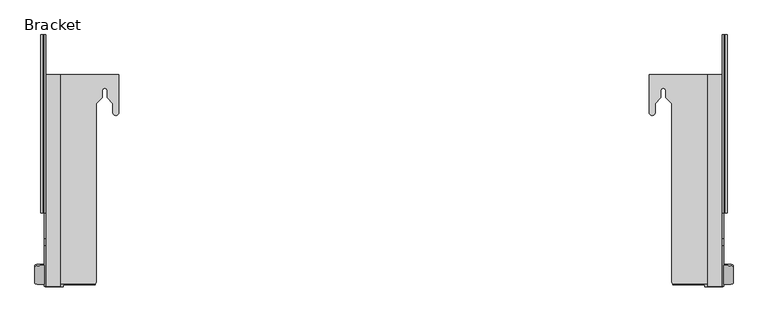
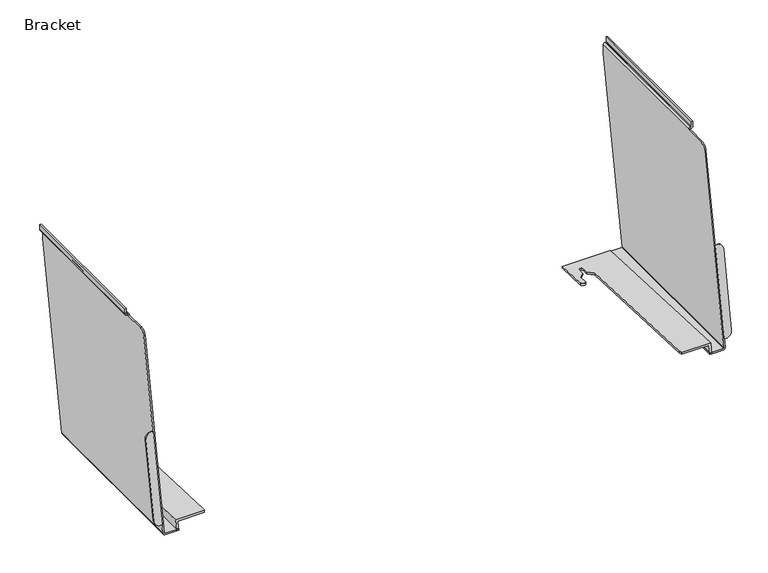
"""IFC4 building model written with IfcOpenShell, lengths in millimetres: furniture geometry, Bracket."""

from ifc_helpers import new_model, si_unit, frame, origin, place, context, project, spatial, polyline, circle_curve, ellipse_curve, source, transform, mapped, element, save
from ifc_brep_helpers import plane_surface, cylinder_surface, revolved_surface, advanced_brep


def bracket_8338e0bc(model_context):
    return source(origin(), model_context, "Body", "AdvancedBrep", [
        advanced_brep(
        [(1278.9615646, -163.5694426, 504.6641143), (1274.8385127, -163.5694426, 504.6641143), (1274.8385127, -196.2490672, 319.3287534), (1278.1913157, -196.2490672, 319.3287534), (1290.8913127, -194.0437098, 331.8359571), (1290.8913127, -165.6410462, 492.9154667), (1278.9615646, -161.2981934, 504.2522241), (1290.8913127, -163.4269275, 492.5139371), (1290.8913127, -192.6128772, 331.5764762), (1278.1913157, -194.8790539, 319.080302), (1274.8385127, -194.8790539, 319.080302), (1274.8385127, -161.2981934, 504.2522241)],
        [
            (0, 1),
            (1, 2),
            (2, 3),
            (3, 4, ellipse_curve(frame((1278.1913157, -194.0437098, 331.8359571), z_axis=(0.0, -0.9848077530122079, 0.17364817766693155), x_axis=(0.0, -0.1736481776669712, -0.984807753012201)), 12.7001475, 12.6999971)),
            (4, 5),
            (5, 0, ellipse_curve(frame((1278.9615646, -165.6410462, 492.9154667), z_axis=(0.0, -0.9848077530122079, 0.17364817766693155), x_axis=(0.0, -0.1736481776669712, -0.984807753012201)), 11.9298894, 11.9297481)),
            (6, 7, circle_curve(frame((1278.9615646, -163.4269275, 492.5139371), z_axis=(0.0, 0.9839509496893903, -0.1784391453839293), x_axis=(0.0, -0.1784391453839293, -0.9839509496893903)), 11.9297481)),
            (7, 8),
            (8, 9, circle_curve(frame((1278.1913157, -192.6128772, 331.5764762), z_axis=(0.0, 0.9839509496893903, -0.1784391453839293), x_axis=(0.0, -0.1784391453839293, -0.9839509496893903)), 12.6999971)),
            (9, 10),
            (10, 11),
            (11, 6),
            (11, 1),
            (0, 6),
            (10, 2),
            (9, 3),
            (8, 4),
            (7, 5),
        ],
        [
            plane_surface(frame((-105.6465848, -130.1351991, 694.2791319), z_axis=(0.0, -0.9848077530122079, 0.17364817766693155), x_axis=(1.0, 0.0, 0.0))),
            plane_surface(frame((1278.9615646, -165.5556615, 480.7756501), z_axis=(0.0, 0.9839509496893902, -0.17843914538392927), x_axis=(-1.0, 0.0, 0.0))),
            plane_surface(frame((1274.8385127, -161.2981934, 504.2522241), z_axis=(0.0, 0.17843914538393404, 0.9839509496893893), x_axis=(0.0, -0.9839509496893893, 0.17843914538393404))),
            plane_surface(frame((1274.8385127, -194.8790539, 319.080302), z_axis=(-1.0, 0.0, 0.0), x_axis=(0.0, -0.9839509496893893, 0.17843914538393404))),
            plane_surface(frame((1278.1913157, -194.8790539, 319.080302), z_axis=(0.0, -0.17843914538393404, -0.9839509496893893), x_axis=(0.0, -0.9839509496893893, 0.17843914538393404))),
            cylinder_surface(frame((1278.1913157, -195.6877218, 332.1340981), z_axis=(0.0, 0.9839509496893903, -0.1784391453839293), x_axis=(0.0, -0.1784391453839293, -0.9839509496893903)), 12.6999971),
            plane_surface(frame((1290.8913127, -163.4269275, 492.5139371), z_axis=(1.0, 0.0, 0.0), x_axis=(0.0, -0.9839509496893893, 0.17843914538393404))),
            cylinder_surface(frame((1278.9615646, -166.501772, 493.071559), z_axis=(0.0, 0.9839509496893903, -0.1784391453839293), x_axis=(0.0, -0.1784391453839293, -0.9839509496893903)), 11.9297481),
        ],
        [
            (0, [[1, 2, 3, 4, 5, 6]]),
            (1, [[7, 8, 9, 10, 11, 12]]),
            (2, [[-12, 13, -1, 14]]),
            (3, [[-11, 15, -2, -13]]),
            (4, [[-10, 16, -3, -15]]),
            (5, [[-9, 17, -4, -16]]),
            (6, [[-8, 18, -5, -17]]),
            (7, [[-7, -14, -6, -18]]),
        ],
    ),
        advanced_brep(
        [(1246.2381127, -199.8723316, 298.7802), (1246.2381127, -196.1325541, 319.9895321), (1186.9391624, -196.1325541, 319.9895321), (1187.3137112, -196.7451878, 316.5151141), (1242.5666209, -196.7451878, 316.5151141), (1242.5666209, -199.8723316, 298.7802), (1146.7971127, 99.7722819, 307.2629397), (1146.7971127, 164.732528, 304.4690599), (1146.7971127, 164.732528, 300.2899442), (1146.7971127, 99.7722819, 303.2057285), (1246.2381127, 164.732528, 298.7802), (1246.2381127, 164.732528, 304.4690599), (1156.9571127, 99.7722819, 307.2629397), (1156.9571127, 115.3629146, 306.5924011), (1166.7361127, 125.1314569, 306.1722652), (1166.7361127, 137.4119102, 305.6440943), (1175.1181127, 137.4119102, 305.6440943), (1175.1181127, 125.1314569, 306.1722652), (1185.2260172, 115.0343618, 306.6065319), (1185.2260172, -189.7048221, 319.7130813), (1242.5666209, 164.732528, 298.7802), (1242.5666209, 164.732528, 300.2899442), (1185.2260172, -189.7048221, 316.1991026), (1156.9571127, 99.7722819, 303.2057285), (1156.9571127, 115.3629146, 302.5059325), (1166.7361127, 125.1314569, 302.0674649), (1166.7361127, 137.4119102, 301.5162485), (1175.1181127, 137.4119102, 301.5162485), (1175.1181127, 125.1314569, 302.0674649), (1185.2260172, 115.0343618, 302.5206798)],
        [
            (0, 1),
            (1, 2),
            (2, 3, ellipse_curve(frame((1198.1410358, -189.7048221, 356.4430116), z_axis=(0.0, -0.9848077530122079, 0.17364817766693155), x_axis=(0.0, -0.17364817766693158, -0.984807753012208)), 74.3746277, 12.9150186)),
            (3, 4),
            (4, 5),
            (5, 0),
            (6, 7),
            (7, 8),
            (8, 9),
            (9, 6),
            (10, 11),
            (11, 1),
            (0, 10),
            (11, 7),
            (6, 12, ellipse_curve(frame((1151.8771127, 99.7722819, 307.2629397), z_axis=(0.0, 0.04296934815320081, 0.9990763910328825), x_axis=(0.0, 0.9990763910328826, -0.04296934815319849)), 5.0846963, 5.08)),
            (12, 13),
            (13, 14),
            (14, 15),
            (15, 16, ellipse_curve(frame((1170.9271127, 137.4119102, 305.6440943), z_axis=(0.0, -0.04296934815320081, -0.9990763910328825), x_axis=(0.0, -0.9990763910328826, 0.04296934815319849)), 4.1948744, 4.191)),
            (16, 17),
            (17, 18),
            (18, 19),
            (19, 2, ellipse_curve(frame((1198.1410358, -189.7048221, 319.7130813), z_axis=(0.0, 0.04296934815320081, 0.9990763910328825), x_axis=(0.0, 0.9990763910328826, -0.04296934815319849)), 12.926958, 12.9150186)),
            (10, 20),
            (20, 21),
            (21, 8),
            (5, 20),
            (19, 22),
            (22, 3, ellipse_curve(frame((1198.1410358, -189.7048221, 316.1991026), z_axis=(0.0, 0.044840523271698504, 0.9989941578771722), x_axis=(0.0, 0.9989941578771722, -0.04484052327169549)), 12.9280221, 12.9150186)),
            (9, 23, ellipse_curve(frame((1151.8771127, 99.7722819, 303.2057285), z_axis=(0.0, 0.044840523271698504, 0.9989941578771722), x_axis=(0.0, 0.9989941578771722, -0.04484052327169549)), 5.0851148, 5.08)),
            (23, 12),
            (23, 24),
            (24, 13),
            (24, 25),
            (25, 14),
            (25, 26),
            (26, 15),
            (26, 27, ellipse_curve(frame((1170.9271127, 137.4119102, 301.5162485), z_axis=(0.0, -0.044840523271698504, -0.9989941578771722), x_axis=(0.0, -0.9989941578771722, 0.04484052327169549)), 4.1952197, 4.191)),
            (27, 16),
            (27, 28),
            (28, 17),
            (28, 29),
            (29, 18),
            (29, 22),
            (4, 21),
        ],
        [
            plane_surface(frame((-105.6465848, -130.1351991, 694.2791319), z_axis=(0.0, -0.9848077530122079, 0.17364817766693155), x_axis=(1.0, 0.0, 0.0))),
            plane_surface(frame((1146.7971127, 164.732528, 300.5888376), z_axis=(-1.0, 0.0, 0.0), x_axis=(0.0, 0.0, -1.0))),
            plane_surface(frame((1246.2381127, 164.732528, 300.5888376), z_axis=(1.0, 0.0, 0.0), x_axis=(0.0, 0.0, 1.0))),
            plane_surface(frame((1146.7971127, -200.4313954, 320.1744212), z_axis=(0.0, 0.04296934815320081, 0.9990763910328825), x_axis=(1.0, 0.0, 0.0))),
            plane_surface(frame((1146.7971127, 164.732528, 304.4690599), z_axis=(0.0, 1.0, 0.0), x_axis=(1.0, 0.0, 0.0))),
            plane_surface(frame((1146.7971127, 164.732528, 298.7802), z_axis=(0.0, 0.0, -1.0), x_axis=(1.0, 0.0, 0.0))),
            cylinder_surface(frame((1198.1410358, -189.7048221, 0.0), z_axis=(0.0, 0.0, -1.0), x_axis=(-1.0, 0.0, 0.0)), 12.9150186),
            cylinder_surface(frame((1151.8771127, 99.7722819, 0.0), z_axis=(0.0, 0.0, -1.0), x_axis=(-1.0, 0.0, 0.0)), 5.08),
            plane_surface(frame((1156.9571127, 115.3629146, 407.911709), z_axis=(1.0, 0.0, 0.0), x_axis=(0.0, 0.0, -1.0))),
            plane_surface(frame((1166.7361127, 125.1314569, 407.911709), z_axis=(0.7067283887519917, -0.7074849712410957, 0.0), x_axis=(0.0, 0.0, -1.0))),
            plane_surface(frame((1166.7361127, 137.4119102, 407.911709), z_axis=(1.0, 0.0, 0.0), x_axis=(0.0, 0.0, -1.0))),
            revolved_surface(polyline([(1166.7361127, 137.4119102, 305.82434531855256), (1166.7361127, 137.4119102, 301.3281326534123)]), (1170.9271127, 137.4119102, 0.0), (0.0, 0.0, 1.0)),
            plane_surface(frame((1175.1181127, 125.1314569, 407.911709), z_axis=(-1.0, 0.0, 0.0), x_axis=(0.0, 0.0, -1.0))),
            plane_surface(frame((1185.2260172, 115.0343618, 407.911709), z_axis=(-0.7067283887519918, -0.7074849712410954, 0.0), x_axis=(0.0, 0.0, -1.0))),
            plane_surface(frame((1185.2260172, -189.7048221, 407.911709), z_axis=(-1.0, 0.0, 0.0), x_axis=(0.0, 0.0, -1.0))),
            plane_surface(frame((1242.5666209, -201.7788062, 316.7410515), z_axis=(-1.0000000000000002, 0.0, 0.0), x_axis=(0.0, -0.9989941578771722, 0.044840523271698504))),
            plane_surface(frame((1242.5666209, 164.9966462, 300.2780891), z_axis=(0.0, -0.044840523271698504, -0.9989941578771722), x_axis=(-1.0, 0.0, 0.0))),
        ],
        [
            (0, [[1, 2, 3, 4, 5, 6]]),
            (1, [[7, 8, 9, 10]]),
            (2, [[11, 12, -1, 13]]),
            (3, [[14, -7, 15, 16, 17, 18, 19, 20, 21, 22, 23, -2, -12]]),
            (4, [[-11, 24, 25, 26, -8, -14]]),
            (5, [[-13, -6, 27, -24]]),
            (6, [[-23, 28, 29, -3]]),
            (7, [[-15, -10, 30, 31]]),
            (8, [[-16, -31, 32, 33]]),
            (9, [[-17, -33, 34, 35]]),
            (10, [[-18, -35, 36, 37]]),
            (11, [[-19, -37, 38, 39]]),
            (12, [[-20, -39, 40, 41]]),
            (13, [[-21, -41, 42, 43]]),
            (14, [[-22, -43, 44, -28]]),
            (15, [[45, -25, -27, -5]]),
            (16, [[-45, -4, -29, -44, -42, -40, -38, -36, -34, -32, -30, -9, -26]]),
        ],
    ),
        advanced_brep(
        [(1277.7849127, 233.2990046, 720.9282), (1280.7821127, 233.2990046, 720.9282), (1280.7821127, 233.2990046, 709.8772043), (1277.3551084, 233.2990046, 706.4502), (1275.4781586, 233.2990046, 706.4502), (1274.8385127, 233.2990046, 705.8105541), (1274.8385127, 233.2990046, 687.6400124), (1271.8413127, 233.2990046, 687.6400124), (1271.8413127, 233.2990046, 706.0611666), (1275.2275462, 233.2990046, 709.4474), (1277.0894097, 233.2990046, 709.4474), (1277.7849127, 233.2990046, 710.142903), (1277.7849127, -72.9741954, 720.9282), (1280.7821127, -72.9741954, 720.9282), (1280.7821127, -72.9741954, 709.8772043), (1277.3551084, -72.9741954, 706.4502), (1275.4781586, -72.9741954, 706.4502), (1274.8385127, -72.9741954, 705.8105541), (1274.8385127, -72.9741954, 704.7738), (1274.8385127, -117.6281406, 704.7738), (1274.8385127, -130.1351991, 694.2791319), (1274.8385127, -199.2005258, 302.5902), (1274.8385127, 165.4043338, 302.5902), (1271.0285127, -199.8723316, 298.7802), (1271.0285127, 164.732528, 298.7802), (1246.2889127, -199.8723316, 298.7802), (1246.2889127, 164.732528, 298.7802), (1242.5666209, -199.3438444, 301.7774), (1242.5666209, 165.2610152, 301.7774), (1271.0592238, -199.3438444, 301.7774), (1271.0592238, 165.2610152, 301.7774), (1271.8413127, -199.205941, 302.559489), (1271.8413127, 165.3989186, 302.559489), (1271.8413127, -130.1351991, 694.2791319), (1271.8413127, -117.6281406, 704.7738), (1271.8413127, -72.9741954, 704.7738), (1271.8413127, -72.9741954, 706.0611666), (1275.2275462, -72.9741954, 709.4474), (1277.0894097, -72.9741954, 709.4474), (1277.7849127, -72.9741954, 710.142903)],
        [
            (0, 1),
            (1, 2),
            (2, 3, circle_curve(frame((1277.3551084, 233.2990046, 709.8772043), z_axis=(0.0, 1.0, 0.0), x_axis=(-1.0, 0.0, 0.0)), 3.4270043)),
            (3, 4),
            (4, 5, circle_curve(frame((1275.4781586, 233.2990046, 705.8105541), z_axis=(0.0, -1.0, 0.0), x_axis=(-1.0, 0.0, 0.0)), 0.6396459)),
            (5, 6),
            (6, 7),
            (7, 8),
            (8, 9, circle_curve(frame((1275.2275462, 233.2990046, 706.0611666), z_axis=(0.0, 1.0, 0.0), x_axis=(-1.0, 0.0, 0.0)), 3.3862334)),
            (9, 10),
            (10, 11, circle_curve(frame((1277.0894097, 233.2990046, 710.142903), z_axis=(0.0, -1.0, 0.0), x_axis=(-1.0, 0.0, 0.0)), 0.695503)),
            (11, 0),
            (0, 12),
            (12, 13),
            (13, 1),
            (13, 14),
            (14, 2),
            (14, 15, circle_curve(frame((1277.3551084, -72.9741954, 709.8772043), z_axis=(0.0, 1.0, 0.0), x_axis=(-1.0, 0.0, 0.0)), 3.4270043)),
            (15, 3),
            (15, 16),
            (16, 4),
            (16, 17, circle_curve(frame((1275.4781586, -72.9741954, 705.8105541), z_axis=(0.0, -1.0, 0.0), x_axis=(-1.0, 0.0, 0.0)), 0.6396459)),
            (17, 5),
            (17, 18),
            (18, 19),
            (19, 20, circle_curve(frame((1274.8385127, -117.6281406, 692.0738), z_axis=(1.0, 0.0, 0.0), x_axis=(0.0, -1.0, 0.0)), 12.7)),
            (20, 21),
            (21, 22),
            (22, 6),
            (21, 23, ellipse_curve(frame((1271.0285127, -199.2005258, 302.5902), z_axis=(0.0, 0.9848077530122079, -0.17364817766693155), x_axis=(0.0, -0.173648177666931, -0.9848077530122079)), 3.8687754, 3.81)),
            (23, 24),
            (24, 22, ellipse_curve(frame((1271.0285127, 165.4043338, 302.5902), z_axis=(0.0, -0.9848077530122079, 0.17364817766693158), x_axis=(0.0, -0.173648177666931, -0.984807753012208)), 3.8687754, 3.81)),
            (23, 25),
            (25, 26),
            (26, 24),
            (25, 27, ellipse_curve(frame((1246.2889127, -199.2005258, 302.5902), z_axis=(0.0, 0.9848077530122079, -0.17364817766693155), x_axis=(0.0, -0.173648177666931, -0.9848077530122079)), 3.8687754, 3.81)),
            (27, 28),
            (28, 26, ellipse_curve(frame((1246.2889127, 165.4043338, 302.5902), z_axis=(0.0, -0.9848077530122079, 0.17364817766693158), x_axis=(0.0, -0.173648177666931, -0.984807753012208)), 3.8687754, 3.81)),
            (27, 29),
            (29, 30),
            (30, 28),
            (29, 31, ellipse_curve(frame((1271.0592238, -199.205941, 302.559489), z_axis=(0.0, -0.9848077530122079, 0.17364817766693155), x_axis=(0.0, 0.173648177666931, 0.9848077530122079)), 0.7941539, 0.782089)),
            (31, 32),
            (32, 30, ellipse_curve(frame((1271.0592238, 165.3989186, 302.559489), z_axis=(0.0, 0.9848077530122079, -0.17364817766693158), x_axis=(0.0, 0.173648177666931, 0.984807753012208)), 0.7941539, 0.782089)),
            (7, 32),
            (31, 33),
            (33, 34, circle_curve(frame((1271.8413127, -117.6281406, 692.0738), z_axis=(-1.0, 0.0, 0.0), x_axis=(0.0, -1.0, 0.0)), 12.7)),
            (34, 35),
            (35, 36),
            (36, 8),
            (36, 37, circle_curve(frame((1275.2275462, -72.9741954, 706.0611666), z_axis=(0.0, 1.0, 0.0), x_axis=(-1.0, 0.0, 0.0)), 3.3862334)),
            (37, 9),
            (37, 38),
            (38, 10),
            (38, 39, circle_curve(frame((1277.0894097, -72.9741954, 710.142903), z_axis=(0.0, -1.0, 0.0), x_axis=(-1.0, 0.0, 0.0)), 0.695503)),
            (39, 11),
            (39, 12),
            (35, 18),
            (20, 33),
            (19, 34),
        ],
        [
            plane_surface(frame((1277.7849127, 233.2990046, 710.142903), z_axis=(0.0, 1.0, 0.0), x_axis=(0.0, 0.0, 1.0))),
            plane_surface(frame((1280.7821127, -200.4313954, 720.9282), z_axis=(0.0, 0.0, 1.0), x_axis=(0.0, 1.0, 0.0))),
            plane_surface(frame((1280.7821127, -200.4313954, 709.8772043), z_axis=(1.0, 0.0, 0.0), x_axis=(0.0, 1.0, 0.0))),
            cylinder_surface(frame((1277.3551084, 233.2990046, 709.8772043), z_axis=(0.0, -1.0, 0.0), x_axis=(-1.0, 0.0, 0.0)), 3.4270043),
            plane_surface(frame((1275.4781586, -200.4313954, 706.4502), z_axis=(-5.552943383781985e-12, 0.0, -1.0), x_axis=(0.0, 1.0, 0.0))),
            revolved_surface(polyline([(1274.8385127, 233.2990046, 705.8105541), (1274.8385127, -72.97419539999999, 705.8105541)]), (1275.4781586, 233.2990046, 705.8105541), (0.0, 1.0, 0.0)),
            plane_surface(frame((1274.8385127, -200.4313954, 302.5902), z_axis=(1.0, 0.0, 0.0), x_axis=(0.0, 1.0, 0.0))),
            cylinder_surface(frame((1271.0285127, 233.2990046, 302.5902), z_axis=(0.0, -1.0, 0.0), x_axis=(-1.0, 0.0, 0.0)), 3.81),
            plane_surface(frame((1246.2889127, -200.4313954, 298.7802), z_axis=(0.0, 0.0, -1.0), x_axis=(0.0, 1.0, 0.0))),
            cylinder_surface(frame((1246.2889127, 233.2990046, 302.5902), z_axis=(0.0, -1.0, 0.0), x_axis=(-1.0, 0.0, 0.0)), 3.81),
            plane_surface(frame((1271.0592238, -200.4313954, 301.7774), z_axis=(0.0, 0.0, 1.0), x_axis=(0.0, 1.0, 0.0))),
            revolved_surface(polyline([(1270.2771347999999, 165.5368219775221, 302.559489), (1270.2771347999999, -199.34384439999997, 302.559489)]), (1271.0592238, 233.2990046, 302.559489), (0.0, 1.0, 0.0)),
            plane_surface(frame((1271.8413127, -200.4313954, 706.0611666), z_axis=(-1.0, 0.0, 0.0), x_axis=(0.0, 1.0, 0.0))),
            cylinder_surface(frame((1275.2275462, 233.2990046, 706.0611666), z_axis=(0.0, -1.0, 0.0), x_axis=(-1.0, 0.0, 0.0)), 3.3862334),
            plane_surface(frame((1277.0894097, -200.4313954, 709.4474), z_axis=(-6.615744500893687e-12, 0.0, 1.0), x_axis=(0.0, 1.0, 0.0))),
            revolved_surface(polyline([(1276.3939067000001, 233.2990046, 710.142903), (1276.3939067000001, -72.97419539999999, 710.142903)]), (1277.0894097, 233.2990046, 710.142903), (0.0, 1.0, 0.0)),
            plane_surface(frame((1277.7849127, -200.4313954, 720.9282), z_axis=(-1.0, 0.0, 0.0), x_axis=(0.0, 1.0, 0.0))),
            plane_surface(frame((-105.6465848, 158.3177215, 262.4000247), z_axis=(0.0, 0.9848077530122079, -0.17364817766693158), x_axis=(1.0, 0.0, 0.0))),
            plane_surface(frame((-105.6465848, -72.9741954, 720.9282), z_axis=(0.0, -1.0, 0.0), x_axis=(1.0, 0.0, 0.0))),
            plane_surface(frame((-105.6465848, -130.1351991, 694.2791319), z_axis=(0.0, -0.9848077530122079, 0.17364817766693155), x_axis=(1.0, 0.0, 0.0))),
            cylinder_surface(frame((889.0125127, -117.6281406, 692.0738), z_axis=(1.0, 0.0, 0.0), x_axis=(0.0, -1.0, 0.0)), 12.7),
            plane_surface(frame((-105.6465848, -72.9741954, 704.7738), z_axis=(0.0, 0.0, 1.0), x_axis=(1.0, 0.0, 0.0))),
        ],
        [
            (0, [[1, 2, 3, 4, 5, 6, 7, 8, 9, 10, 11, 12]]),
            (1, [[-1, 13, 14, 15]]),
            (2, [[-2, -15, 16, 17]]),
            (3, [[-3, -17, 18, 19]]),
            (4, [[-4, -19, 20, 21]]),
            (5, [[-5, -21, 22, 23]]),
            (6, [[-6, -23, 24, 25, 26, 27, 28, 29]]),
            (7, [[-28, 30, 31, 32]]),
            (8, [[-31, 33, 34, 35]]),
            (9, [[-34, 36, 37, 38]]),
            (10, [[-37, 39, 40, 41]]),
            (11, [[-40, 42, 43, 44]]),
            (12, [[-8, 45, -43, 46, 47, 48, 49, 50]]),
            (13, [[-9, -50, 51, 52]]),
            (14, [[-10, -52, 53, 54]]),
            (15, [[-11, -54, 55, 56]]),
            (16, [[-12, -56, 57, -13]]),
            (17, [[-7, -29, -32, -35, -38, -41, -44, -45]]),
            (18, [[58, -24, -22, -20, -18, -16, -14, -57, -55, -53, -51, -49]]),
            (19, [[59, -46, -42, -39, -36, -33, -30, -27]]),
            (20, [[-59, -26, 60, -47]]),
            (21, [[-60, -25, -58, -48]]),
        ],
    ),
        advanced_brep(
        [(103.4330609, -161.2981934, 504.2522241), (107.5561127, -161.2981934, 504.2522241), (107.5561127, -194.8790539, 319.080302), (104.2033098, -194.8790539, 319.080302), (91.5033127, -192.6128772, 331.5764762), (91.5033127, -163.4269275, 492.5139371), (103.4330609, -163.5694426, 504.6641143), (107.5561127, -163.5694426, 504.6641143), (107.5561127, -196.2490672, 319.3287534), (104.2033098, -196.2490672, 319.3287534), (91.5033127, -194.0437098, 331.8359571), (91.5033127, -165.6410462, 492.9154667)],
        [
            (0, 1),
            (1, 2),
            (2, 3),
            (3, 4, circle_curve(frame((104.2033098, -192.6128772, 331.5764762), z_axis=(0.0, 0.9839509496893903, -0.1784391453839293), x_axis=(1.0, 0.0, 0.0)), 12.6999971)),
            (4, 5),
            (5, 0, circle_curve(frame((103.4330609, -163.4269275, 492.5139371), z_axis=(0.0, 0.9839509496893903, -0.1784391453839293), x_axis=(1.0, 0.0, 0.0)), 11.9297481)),
            (0, 6),
            (6, 7),
            (7, 1),
            (7, 8),
            (8, 2),
            (8, 9),
            (9, 3),
            (9, 10, ellipse_curve(frame((104.2033098, -194.0437098, 331.8359571), z_axis=(0.0, 0.9848077530122079, -0.17364817766693155), x_axis=(0.0, -0.1736481776669712, -0.984807753012201)), 12.7001475, 12.6999971)),
            (10, 4),
            (10, 11),
            (11, 5),
            (11, 6, ellipse_curve(frame((103.4330609, -165.6410462, 492.9154667), z_axis=(0.0, 0.9848077530122079, -0.17364817766693155), x_axis=(0.0, -0.1736481776669712, -0.984807753012201)), 11.9298894, 11.9297481)),
        ],
        [
            plane_surface(frame((107.5561127, -161.2981934, 504.2522241), z_axis=(0.0, 0.9839509496893903, -0.1784391453839293), x_axis=(1.0, 0.0, 0.0))),
            plane_surface(frame((103.4330609, -161.2981934, 504.2522241), z_axis=(0.0, 0.17843914538393404, 0.9839509496893893), x_axis=(0.0, -0.9839509496893893, 0.17843914538393404))),
            plane_surface(frame((107.5561127, -161.2981934, 504.2522241), z_axis=(1.0, 0.0, 0.0), x_axis=(0.0, -0.9839509496893893, 0.17843914538393404))),
            plane_surface(frame((107.5561127, -194.8790539, 319.080302), z_axis=(0.0, -0.17843914538393404, -0.9839509496893893), x_axis=(0.0, -0.9839509496893893, 0.17843914538393404))),
            cylinder_surface(frame((104.2033098, -195.6877218, 332.1340981), z_axis=(0.0, 0.9839509496893903, -0.1784391453839293), x_axis=(1.0, 0.0, 0.0)), 12.6999971),
            plane_surface(frame((91.5033127, -192.6128772, 331.5764762), z_axis=(-1.0, 0.0, 0.0), x_axis=(0.0, -0.9839509496893893, 0.17843914538393404))),
            cylinder_surface(frame((103.4330609, -166.501772, 493.071559), z_axis=(0.0, 0.9839509496893903, -0.1784391453839293), x_axis=(1.0, 0.0, 0.0)), 11.9297481),
            plane_surface(frame((-105.6465848, -130.1351991, 694.2791319), z_axis=(0.0, -0.9848077530122079, 0.17364817766693155), x_axis=(1.0, 0.0, 0.0))),
        ],
        [
            (0, [[1, 2, 3, 4, 5, 6]]),
            (1, [[-1, 7, 8, 9]]),
            (2, [[-2, -9, 10, 11]]),
            (3, [[-3, -11, 12, 13]]),
            (4, [[-4, -13, 14, 15]]),
            (5, [[-5, -15, 16, 17]]),
            (6, [[-6, -17, 18, -7]]),
            (7, [[-8, -18, -16, -14, -12, -10]]),
        ],
    ),
        advanced_brep(
        [(235.5975127, 164.732528, 300.2899442), (235.5975127, 164.732528, 304.4690599), (235.5975127, 99.7722819, 307.2629397), (235.5975127, 99.7722819, 303.2057285), (136.1565127, 164.732528, 304.4690599), (136.1565127, 164.732528, 298.7802), (136.1565127, -199.8723316, 298.7802), (136.1565127, -196.1325541, 319.9895321), (195.455463, -196.1325541, 319.9895321), (197.1686083, -189.7048221, 319.7130813), (197.1686083, 115.0343618, 306.6065319), (207.2765127, 125.1314569, 306.1722652), (207.2765127, 137.4119102, 305.6440943), (215.6585127, 137.4119102, 305.6440943), (215.6585127, 125.1314569, 306.1722652), (225.4375127, 115.3629146, 306.5924011), (225.4375127, 99.7722819, 307.2629397), (139.8280045, 164.732528, 300.2899442), (139.8280045, 164.732528, 298.7802), (139.8280045, -199.8723316, 298.7802), (139.8280045, -196.7451878, 316.5151141), (225.4375127, 99.7722819, 303.2057285), (225.4375127, 115.3629146, 302.5059325), (215.6585127, 125.1314569, 302.0674649), (215.6585127, 137.4119102, 301.5162485), (207.2765127, 137.4119102, 301.5162485), (207.2765127, 125.1314569, 302.0674649), (197.1686083, 115.0343618, 302.5206798), (197.1686083, -189.7048221, 316.1991026), (195.0809142, -196.7451878, 316.5151141)],
        [
            (0, 1),
            (1, 2),
            (2, 3),
            (3, 0),
            (4, 5),
            (5, 6),
            (6, 7),
            (7, 4),
            (1, 4),
            (7, 8),
            (8, 9, ellipse_curve(frame((184.2535897, -189.7048221, 319.7130813), z_axis=(0.0, 0.04296934815320083, 0.9990763910328825), x_axis=(0.0, 0.9990763910328825, -0.04296934815319847)), 12.926958, 12.9150186)),
            (9, 10),
            (10, 11),
            (11, 12),
            (12, 13, ellipse_curve(frame((211.4675127, 137.4119102, 305.6440943), z_axis=(0.0, -0.04296934815320083, -0.9990763910328825), x_axis=(0.0, -0.9990763910328825, 0.04296934815319847)), 4.1948744, 4.191)),
            (13, 14),
            (14, 15),
            (15, 16),
            (16, 2, ellipse_curve(frame((230.5175127, 99.7722819, 307.2629397), z_axis=(0.0, 0.04296934815320083, 0.9990763910328825), x_axis=(0.0, 0.9990763910328825, -0.04296934815319847)), 5.0846963, 5.08)),
            (0, 17),
            (17, 18),
            (18, 5),
            (18, 19),
            (19, 6),
            (17, 20),
            (20, 19),
            (3, 21, ellipse_curve(frame((230.5175127, 99.7722819, 303.2057285), z_axis=(0.0, -0.044840523271698414, -0.9989941578771722), x_axis=(0.0, 0.9989941578771723, -0.04484052327169559)), 5.0851148, 5.08)),
            (21, 22),
            (22, 23),
            (23, 24),
            (24, 25, ellipse_curve(frame((211.4675127, 137.4119102, 301.5162485), z_axis=(0.0, 0.044840523271698414, 0.9989941578771722), x_axis=(0.0, -0.9989941578771723, 0.04484052327169559)), 4.1952197, 4.191)),
            (25, 26),
            (26, 27),
            (27, 28),
            (28, 29, ellipse_curve(frame((184.2535897, -189.7048221, 316.1991026), z_axis=(0.0, -0.044840523271698414, -0.9989941578771722), x_axis=(0.0, 0.9989941578771723, -0.04484052327169559)), 12.9280221, 12.9150186)),
            (29, 20),
            (28, 9),
            (8, 29, ellipse_curve(frame((184.2535897, -189.7048221, 356.4430116), z_axis=(0.0, 0.9848077530122079, -0.17364817766693155), x_axis=(0.0, -0.17364817766693158, -0.984807753012208)), 74.3746277, 12.9150186)),
            (16, 21),
            (15, 22),
            (14, 23),
            (13, 24),
            (12, 25),
            (11, 26),
            (10, 27),
        ],
        [
            plane_surface(frame((235.5975127, -200.4313954, 320.1744212), z_axis=(1.0, 0.0, 0.0), x_axis=(0.0, -0.9990763910328825, 0.04296934815320083))),
            plane_surface(frame((136.1565127, -200.4313954, 320.1744212), z_axis=(-1.0, 0.0, 0.0), x_axis=(0.0, 0.9990763910328825, -0.04296934815320083))),
            plane_surface(frame((235.5975127, 164.732528, 304.4690599), z_axis=(0.0, 0.04296934815320083, 0.9990763910328825), x_axis=(-1.0, 0.0, 0.0))),
            plane_surface(frame((235.5975127, 164.732528, 298.7802), z_axis=(0.0, 1.0, 0.0), x_axis=(-1.0, 0.0, 0.0))),
            plane_surface(frame((235.5975127, -200.5813731, 298.7802), z_axis=(0.0, 0.0, -1.0), x_axis=(-1.0, 0.0, 0.0))),
            plane_surface(frame((139.8280045, 164.9966462, 300.2780891), z_axis=(1.0, 0.0, 0.0), x_axis=(0.0, 0.0, -1.0))),
            plane_surface(frame((139.8280045, -201.7788062, 316.7410515), z_axis=(0.0, -0.044840523271698414, -0.9989941578771722), x_axis=(1.0, 0.0, 0.0))),
            cylinder_surface(frame((184.2535897, -189.7048221, 0.0), z_axis=(0.0, 0.0, -1.0), x_axis=(1.0, 0.0, 0.0)), 12.9150186),
            cylinder_surface(frame((230.5175127, 99.7722819, 0.0), z_axis=(0.0, 0.0, -1.0), x_axis=(1.0, 0.0, 0.0)), 5.08),
            plane_surface(frame((225.4375127, 99.7722819, 407.911709), z_axis=(-1.0, 0.0, 0.0), x_axis=(0.0, 0.0, -1.0))),
            plane_surface(frame((225.4375127, 115.3629146, 407.911709), z_axis=(-0.7067283887519917, -0.7074849712410957, 0.0), x_axis=(0.0, 0.0, -1.0))),
            plane_surface(frame((215.6585127, 125.1314569, 407.911709), z_axis=(-1.0, 0.0, 0.0), x_axis=(0.0, 0.0, -1.0))),
            revolved_surface(polyline([(215.6585127, 137.4119102, 305.82434531855256), (215.6585127, 137.4119102, 301.3281326534123)]), (211.4675127, 137.4119102, 0.0), (0.0, 0.0, 1.0)),
            plane_surface(frame((207.2765127, 137.4119102, 407.911709), z_axis=(1.0, 0.0, 0.0), x_axis=(0.0, 0.0, -1.0))),
            plane_surface(frame((207.2765127, 125.1314569, 407.911709), z_axis=(0.7067283887519918, -0.7074849712410954, 0.0), x_axis=(0.0, 0.0, -1.0))),
            plane_surface(frame((197.1686083, 115.0343618, 407.911709), z_axis=(1.0, 0.0, 0.0), x_axis=(0.0, 0.0, -1.0))),
            plane_surface(frame((-105.6465848, -130.1351991, 694.2791319), z_axis=(0.0, -0.9848077530122079, 0.17364817766693155), x_axis=(1.0, 0.0, 0.0))),
        ],
        [
            (0, [[1, 2, 3, 4]]),
            (1, [[5, 6, 7, 8]]),
            (2, [[9, -8, 10, 11, 12, 13, 14, 15, 16, 17, 18, 19, -2]]),
            (3, [[-5, -9, -1, 20, 21, 22]]),
            (4, [[-22, 23, 24, -6]]),
            (5, [[-21, 25, 26, -23]]),
            (6, [[-20, -4, 27, 28, 29, 30, 31, 32, 33, 34, 35, 36, -25]]),
            (7, [[37, -11, 38, -35]]),
            (8, [[39, -27, -3, -19]]),
            (9, [[-39, -18, 40, -28]]),
            (10, [[-40, -17, 41, -29]]),
            (11, [[-41, -16, 42, -30]]),
            (12, [[-42, -15, 43, -31]]),
            (13, [[-43, -14, 44, -32]]),
            (14, [[-44, -13, 45, -33]]),
            (15, [[-37, -34, -45, -12]]),
            (16, [[-7, -24, -26, -36, -38, -10]]),
        ],
    ),
        advanced_brep(
        [(104.6097127, 233.2990046, 720.9282), (104.6097127, 233.2990046, 710.142903), (105.3052157, 233.2990046, 709.4474), (107.1670793, 233.2990046, 709.4474), (110.5533127, 233.2990046, 706.0611666), (110.5533127, 233.2990046, 687.6400124), (107.5561127, 233.2990046, 687.6400124), (107.5561127, 233.2990046, 705.8105541), (106.9164669, 233.2990046, 706.4502), (105.039517, 233.2990046, 706.4502), (101.6125127, 233.2990046, 709.8772043), (101.6125127, 233.2990046, 720.9282), (101.6125127, -72.9741954, 720.9282), (104.6097127, -72.9741954, 720.9282), (101.6125127, -72.9741954, 709.8772043), (105.039517, -72.9741954, 706.4502), (106.9164669, -72.9741954, 706.4502), (107.5561127, -72.9741954, 705.8105541), (107.5561127, 165.4043338, 302.5902), (107.5561127, -199.2005258, 302.5902), (107.5561127, -130.1351991, 694.2791319), (107.5561127, -117.6281406, 704.7738), (107.5561127, -72.9741954, 704.7738), (111.3661127, 164.732528, 298.7802), (111.3661127, -199.8723316, 298.7802), (136.1057127, 164.732528, 298.7802), (136.1057127, -199.8723316, 298.7802), (139.8280045, 165.2610152, 301.7774), (139.8280045, 131.5937616, 301.7774), (139.8280045, -199.3438444, 301.7774), (111.3354017, 165.2610152, 301.7774), (111.3354017, -199.3438444, 301.7774), (110.5533127, 165.3989186, 302.559489), (110.5533127, -199.205941, 302.559489), (110.5533127, -72.9741954, 706.0611666), (110.5533127, -72.9741954, 704.7738), (110.5533127, -117.6281406, 704.7738), (110.5533127, -130.1351991, 694.2791319), (107.1670793, -72.9741954, 709.4474), (105.3052157, -72.9741954, 709.4474), (104.6097127, -72.9741954, 710.142903)],
        [
            (0, 1),
            (1, 2, circle_curve(frame((105.3052157, 233.2990046, 710.142903), z_axis=(0.0, -1.0, 0.0), x_axis=(1.0, 0.0, 0.0)), 0.695503)),
            (2, 3),
            (3, 4, circle_curve(frame((107.1670793, 233.2990046, 706.0611666), z_axis=(0.0, 1.0, 0.0), x_axis=(1.0, 0.0, 0.0)), 3.3862334)),
            (4, 5),
            (5, 6),
            (6, 7),
            (7, 8, circle_curve(frame((106.9164669, 233.2990046, 705.8105541), z_axis=(0.0, -1.0, 0.0), x_axis=(1.0, 0.0, 0.0)), 0.6396459)),
            (8, 9),
            (9, 10, circle_curve(frame((105.039517, 233.2990046, 709.8772043), z_axis=(0.0, 1.0, 0.0), x_axis=(1.0, 0.0, 0.0)), 3.4270043)),
            (10, 11),
            (11, 0),
            (11, 12),
            (12, 13),
            (13, 0),
            (10, 14),
            (14, 12),
            (9, 15),
            (15, 14, circle_curve(frame((105.039517, -72.9741954, 709.8772043), z_axis=(0.0, 1.0, 0.0), x_axis=(1.0, 0.0, 0.0)), 3.4270043)),
            (8, 16),
            (16, 15),
            (7, 17),
            (17, 16, circle_curve(frame((106.9164669, -72.9741954, 705.8105541), z_axis=(0.0, -1.0, 0.0), x_axis=(1.0, 0.0, 0.0)), 0.6396459)),
            (6, 18),
            (18, 19),
            (19, 20),
            (20, 21, circle_curve(frame((107.5561127, -117.6281406, 692.0738), z_axis=(-1.0, 0.0, 0.0), x_axis=(0.0, -1.0, 0.0)), 12.7)),
            (21, 22),
            (22, 17),
            (18, 23, ellipse_curve(frame((111.3661127, 165.4043338, 302.5902), z_axis=(0.0, -0.9848077530122079, 0.1736481776669315), x_axis=(0.0, -0.17364817766693108, -0.984807753012208)), 3.8687754, 3.81)),
            (23, 24),
            (24, 19, ellipse_curve(frame((111.3661127, -199.2005258, 302.5902), z_axis=(0.0, 0.9848077530122079, -0.1736481776669315), x_axis=(0.0, -0.17364817766693108, -0.984807753012208)), 3.8687754, 3.81)),
            (23, 25),
            (25, 26),
            (26, 24),
            (25, 27, ellipse_curve(frame((136.1057127, 165.4043338, 302.5902), z_axis=(0.0, -0.9848077530122079, 0.1736481776669315), x_axis=(0.0, -0.17364817766693108, -0.984807753012208)), 3.8687754, 3.81)),
            (27, 28),
            (28, 29),
            (29, 26, ellipse_curve(frame((136.1057127, -199.2005258, 302.5902), z_axis=(0.0, 0.9848077530122079, -0.1736481776669315), x_axis=(0.0, -0.17364817766693108, -0.984807753012208)), 3.8687754, 3.81)),
            (30, 31),
            (31, 29),
            (27, 30),
            (30, 32, ellipse_curve(frame((111.3354017, 165.3989186, 302.559489), z_axis=(0.0, 0.9848077530122079, -0.1736481776669315), x_axis=(0.0, 0.17364817766693108, 0.984807753012208)), 0.7941539, 0.782089)),
            (32, 33),
            (33, 31, ellipse_curve(frame((111.3354017, -199.205941, 302.559489), z_axis=(0.0, -0.9848077530122079, 0.1736481776669315), x_axis=(0.0, 0.17364817766693108, 0.984807753012208)), 0.7941539, 0.782089)),
            (4, 34),
            (34, 35),
            (35, 36),
            (36, 37, circle_curve(frame((110.5533127, -117.6281406, 692.0738), z_axis=(1.0, 0.0, 0.0), x_axis=(0.0, -1.0, 0.0)), 12.7)),
            (37, 33),
            (32, 5),
            (3, 38),
            (38, 34, circle_curve(frame((107.1670793, -72.9741954, 706.0611666), z_axis=(0.0, 1.0, 0.0), x_axis=(1.0, 0.0, 0.0)), 3.3862334)),
            (2, 39),
            (39, 38),
            (1, 40),
            (40, 39, circle_curve(frame((105.3052157, -72.9741954, 710.142903), z_axis=(0.0, -1.0, 0.0), x_axis=(1.0, 0.0, 0.0)), 0.695503)),
            (13, 40),
            (22, 35),
            (37, 20),
            (36, 21),
        ],
        [
            plane_surface(frame((104.6097127, 233.2990046, 720.9282), z_axis=(0.0, 1.0, 0.0), x_axis=(1.0, 0.0, 0.0))),
            plane_surface(frame((104.6097127, -200.4313954, 720.9282), z_axis=(0.0, 0.0, 1.0), x_axis=(0.0, 1.0, 0.0))),
            plane_surface(frame((101.6125127, -200.4313954, 720.9282), z_axis=(-1.0, 0.0, 0.0), x_axis=(0.0, 1.0, 0.0))),
            cylinder_surface(frame((105.039517, 233.2990046, 709.8772043), z_axis=(0.0, -1.0, 0.0), x_axis=(1.0, 0.0, 0.0)), 3.4270043),
            plane_surface(frame((105.039517, -200.4313954, 706.4502), z_axis=(0.0, 0.0, -1.0), x_axis=(0.0, 1.0, 0.0))),
            revolved_surface(polyline([(107.55611280000001, 233.2990046, 705.8105541), (107.55611280000001, -72.97419539999999, 705.8105541)]), (106.9164669, 233.2990046, 705.8105541), (0.0, 1.0, 0.0)),
            plane_surface(frame((107.5561127, -200.4313954, 705.8105541), z_axis=(-1.0, 0.0, 0.0), x_axis=(0.0, 1.0, 0.0))),
            cylinder_surface(frame((111.3661127, 233.2990046, 302.5902), z_axis=(0.0, -1.0, 0.0), x_axis=(1.0, 0.0, 0.0)), 3.81),
            plane_surface(frame((111.3661127, -200.4313954, 298.7802), z_axis=(0.0, 0.0, -1.0), x_axis=(0.0, 1.0, 0.0))),
            cylinder_surface(frame((136.1057127, 233.2990046, 302.5902), z_axis=(0.0, -1.0, 0.0), x_axis=(1.0, 0.0, 0.0)), 3.81),
            plane_surface(frame((139.8280045, -200.4313954, 301.7774), z_axis=(0.0, 0.0, 1.0), x_axis=(0.0, 1.0, 0.0))),
            revolved_surface(polyline([(112.1174907, 165.5368219775221, 302.559489), (112.1174907, -199.34384439999997, 302.559489)]), (111.3354017, 233.2990046, 302.559489), (0.0, 1.0, 0.0)),
            plane_surface(frame((110.5533127, -200.4313954, 302.559489), z_axis=(1.0, 0.0, 0.0), x_axis=(0.0, 1.0, 0.0))),
            cylinder_surface(frame((107.1670793, 233.2990046, 706.0611666), z_axis=(0.0, -1.0, 0.0), x_axis=(1.0, 0.0, 0.0)), 3.3862334),
            plane_surface(frame((107.1670793, -200.4313954, 709.4474), z_axis=(0.0, 0.0, 1.0), x_axis=(0.0, 1.0, 0.0))),
            revolved_surface(polyline([(106.00071870000001, 233.2990046, 710.142903), (106.00071870000001, -72.97419539999999, 710.142903)]), (105.3052157, 233.2990046, 710.142903), (0.0, 1.0, 0.0)),
            plane_surface(frame((104.6097127, -200.4313954, 710.142903), z_axis=(1.0, 0.0, 0.0), x_axis=(0.0, 1.0, 0.0))),
            plane_surface(frame((1883.6716103, 233.2990046, 687.6400124), z_axis=(0.0, 0.9848077530122079, -0.1736481776669315), x_axis=(-1.0, 0.0, 0.0))),
            plane_surface(frame((1883.6716103, -72.9741954, 704.7738), z_axis=(0.0, -1.0, 0.0), x_axis=(-1.0, 0.0, 0.0))),
            plane_surface(frame((1883.6716103, -206.2871381, 262.4000247), z_axis=(0.0, -0.9848077530122079, 0.1736481776669315), x_axis=(-1.0, 0.0, 0.0))),
            cylinder_surface(frame((889.0125127, -117.6281406, 692.0738), z_axis=(-1.0, 0.0, 0.0), x_axis=(0.0, -1.0, 0.0)), 12.7),
            plane_surface(frame((1883.6716103, -117.6281406, 704.7738), z_axis=(0.0, 0.0, 1.0), x_axis=(-1.0, 0.0, 0.0))),
        ],
        [
            (0, [[1, 2, 3, 4, 5, 6, 7, 8, 9, 10, 11, 12]]),
            (1, [[-12, 13, 14, 15]]),
            (2, [[-11, 16, 17, -13]]),
            (3, [[-10, 18, 19, -16]]),
            (4, [[-9, 20, 21, -18]]),
            (5, [[-8, 22, 23, -20]]),
            (6, [[-7, 24, 25, 26, 27, 28, 29, -22]]),
            (7, [[-25, 30, 31, 32]]),
            (8, [[-31, 33, 34, 35]]),
            (9, [[-34, 36, 37, 38, 39]]),
            (10, [[40, 41, -38, -37, 42]]),
            (11, [[-40, 43, 44, 45]]),
            (12, [[-5, 46, 47, 48, 49, 50, -44, 51]]),
            (13, [[-4, 52, 53, -46]]),
            (14, [[-3, 54, 55, -52]]),
            (15, [[-2, 56, 57, -54]]),
            (16, [[-1, -15, 58, -56]]),
            (17, [[-6, -51, -43, -42, -36, -33, -30, -24]]),
            (18, [[59, -47, -53, -55, -57, -58, -14, -17, -19, -21, -23, -29]]),
            (19, [[60, -26, -32, -35, -39, -41, -45, -50]]),
            (20, [[-60, -49, 61, -27]]),
            (21, [[-59, -28, -61, -48]]),
        ],
    ),
    ])


if __name__ == "__main__":
    model = new_model("IFC4")
    model_context = context("Model", 3, world=origin())
    ifc_project = project(units=[si_unit("LENGTHUNIT", "METRE", prefix="MILLI")], contexts=[model_context])
    site = spatial("IfcSite", under=ifc_project)
    building = spatial("IfcBuilding", under=site)
    placement = place(None, origin())
    bracket_shape = bracket_8338e0bc(model_context)
    element("IfcFurniture", 1, ObjectType="Bracket", at=placement, inside=building, context=model_context, shape_type="MappedRepresentation", body=[
        mapped(bracket_shape, transform((0.0, 0.0, 0.0), x_axis=(1.0, 0.0, 0.0), y_axis=(0.0, 1.0, 0.0), z_axis=(0.0, 0.0, 1.0))),
    ])
    save(model, "model.ifc")
